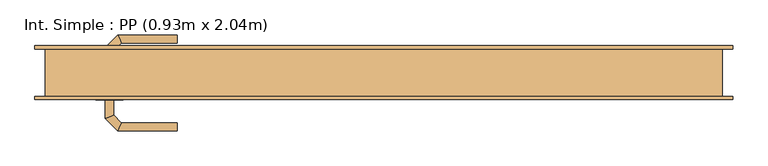
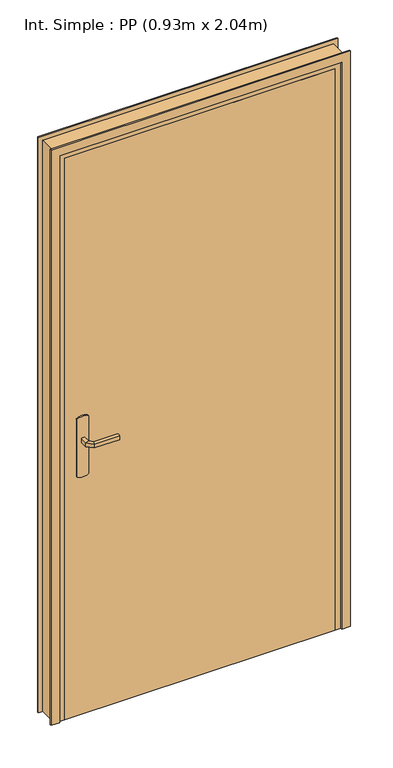
"""IFC4 building model written with IfcOpenShell, lengths in millimetres: door geometry, Int. Simple : PP (0.93m x 2.04m)."""

import ifcopenshell
import ifcopenshell.guid

model = None  # the IFC model being written
_history = None  # IfcOwnerHistory: only IFC2X3 demands one
_inside = {}  # id of a spatial element -> (the spatial element, [elements in it])
_under = {}  # id of a project, library or spatial element -> (it, [spatial elements below it])
_declared = {}  # id of a project -> (the project, [libraries it declares])
_typed = {}  # id of a type object -> (the type object, [elements of that type])
_made_of = {}  # id of a material, layer set ... -> (it, [elements and type objects made of it])


def new_model(schema):
    """Start an empty IFC model of exactly this schema.

    Asked for "IFC4X3", IfcOpenShell would pick the latest addendum, in which some entities
    have other attributes; the version numbers below select the first issue.
    IFC2X3 requires an IfcOwnerHistory on every rooted entity: one is made here for all.
    """
    global model, _history
    if schema == "IFC4X3":
        model = ifcopenshell.file(schema_version=(4, 3, 0, 0))
    else:
        model = ifcopenshell.file(schema=schema)
    _inside.clear()
    _under.clear()
    _declared.clear()
    _typed.clear()
    _made_of.clear()
    _history = None
    if model.schema == "IFC2X3":
        org = make("IfcOrganization", Name="unknown")
        user = make(
            "IfcPersonAndOrganization",
            ThePerson=make("IfcPerson", FamilyName="unknown"),
            TheOrganization=org,
        )
        app = make(
            "IfcApplication",
            ApplicationDeveloper=org,
            Version="unknown",
            ApplicationFullName="unknown",
            ApplicationIdentifier="unknown",
        )
        _history = make(
            "IfcOwnerHistory",
            OwningUser=user,
            OwningApplication=app,
            ChangeAction="ADDED",
            CreationDate=0,
        )
    return model


def make(cls, **values):
    """One entity of the class cls with the attributes given. An attribute that is None is left unset."""
    return model.create_entity(
        cls, **{name: value for name, value in values.items() if value is not None}
    )


def rooted(cls, **values):
    """An entity with a GlobalId (a new one), such as an element, a storey or a relation."""
    return make(cls, GlobalId=ifcopenshell.guid.new(), OwnerHistory=_history, **values)


def si_unit(unit_type, name, prefix=None):
    """IfcSIUnit, for example si_unit("LENGTHUNIT", "METRE", prefix="MILLI")."""
    return make("IfcSIUnit", UnitType=unit_type, Prefix=prefix, Name=name)


def assignment(units):
    """IfcUnitAssignment: the units of a project."""
    return None if units is None else make("IfcUnitAssignment", Units=units)


def point(xyz):
    """IfcCartesianPoint."""
    return None if xyz is None else make("IfcCartesianPoint", Coordinates=xyz)


def direction(xyz):
    """IfcDirection."""
    return None if xyz is None else make("IfcDirection", DirectionRatios=xyz)


def frame(location, z_axis=None, x_axis=None):
    """IfcAxis2Placement3D, a coordinate frame: its origin and axes. An axis left out is left unset."""
    return make(
        "IfcAxis2Placement3D",
        Location=point(location),
        Axis=direction(z_axis),
        RefDirection=direction(x_axis),
    )


def frame_2d(location, x_axis=None):
    """IfcAxis2Placement2D, a coordinate frame in the plane: its origin and x axis."""
    return make(
        "IfcAxis2Placement2D", Location=point(location), RefDirection=direction(x_axis)
    )


def origin():
    """The frame at (0, 0, 0) with its axes left unset."""
    return frame((0.0, 0.0, 0.0))


def origin_with_axes():
    """The frame at (0, 0, 0) with the z axis (0, 0, 1) and the x axis (1, 0, 0) written out."""
    return frame((0.0, 0.0, 0.0), z_axis=(0.0, 0.0, 1.0), x_axis=(1.0, 0.0, 0.0))


def place(relative_to, where):
    """IfcLocalPlacement: puts the frame where relative to a parent placement (None: the world)."""
    return make(
        "IfcLocalPlacement", PlacementRelTo=relative_to, RelativePlacement=where
    )


def context(
    kind, dimensions, precision=None, world=None, true_north=None, identifier=None
):
    """IfcGeometricRepresentationContext, for example the 3D "Model" context."""
    return make(
        "IfcGeometricRepresentationContext",
        ContextIdentifier=identifier,
        ContextType=kind,
        CoordinateSpaceDimension=dimensions,
        Precision=precision,
        WorldCoordinateSystem=world,
        TrueNorth=true_north,
    )


def project(units=None, contexts=None):
    """IfcProject with its units and contexts."""
    return rooted(
        "IfcProject",
        Name="project",
        RepresentationContexts=contexts,
        UnitsInContext=assignment(units),
    )


def spatial(cls, under=None, at=None, **own):
    """A site, building, storey or space (cls), placed at a placement, below another one or the project."""
    s = rooted(cls, ObjectPlacement=at, **own)
    if under is not None:
        _under.setdefault(under.id(), (under, []))[1].append(s)
    return s


def polyline(points):
    """IfcPolyline through the points."""
    return make("IfcPolyline", Points=[point(p) for p in points])


def circle_curve(where, radius):
    """IfcCircle in the frame where."""
    return make("IfcCircle", Position=where, Radius=radius)


def ellipse_curve(where, semi_axis1, semi_axis2):
    """IfcEllipse in the frame where."""
    return make(
        "IfcEllipse", Position=where, SemiAxis1=semi_axis1, SemiAxis2=semi_axis2
    )


def trimmed(basis, trim1, trim2, sense, master):
    """IfcTrimmedCurve: the piece of a basis curve between two trims."""
    return make(
        "IfcTrimmedCurve",
        BasisCurve=basis,
        Trim1=trim1,
        Trim2=trim2,
        SenseAgreement=sense,
        MasterRepresentation=master,
    )


def segment(curve, same_sense, transition):
    """IfcCompositeCurveSegment."""
    return make(
        "IfcCompositeCurveSegment",
        Transition=transition,
        SameSense=same_sense,
        ParentCurve=curve,
    )


def composite_curve(segments, self_intersect=None):
    """IfcCompositeCurve: segments joined end to end."""
    return make("IfcCompositeCurve", Segments=segments, SelfIntersect=self_intersect)


def outline(outer, holes=None, kind="AREA"):
    """IfcArbitraryClosedProfileDef: a profile drawn as a closed curve; with holes, ...WithVoids."""
    if holes is None:
        return make("IfcArbitraryClosedProfileDef", ProfileType=kind, OuterCurve=outer)
    return make(
        "IfcArbitraryProfileDefWithVoids",
        ProfileType=kind,
        OuterCurve=outer,
        InnerCurves=holes,
    )


def extrude(swept, where, along, depth):
    """IfcExtrudedAreaSolid: the profile swept, set in the frame where, extruded along a direction by depth."""
    return make(
        "IfcExtrudedAreaSolid",
        SweptArea=swept,
        Position=where,
        ExtrudedDirection=direction(along),
        Depth=depth,
    )


def faces_of(points, faces, orient=None, outer=None):
    """IfcFace entities. A face is a list of loops; a loop is a list of indices into points, from 0.

    orient and outer hold one flag for each loop. By default every Orientation is true, the
    first loop of a face is its IfcFaceOuterBound and the others are IfcFaceBound.
    """
    made = []
    for i, loops in enumerate(faces):
        bounds = []
        for j, loop in enumerate(loops):
            is_outer = j == 0 if outer is None else outer[i][j]
            bounds.append(
                make(
                    "IfcFaceOuterBound" if is_outer else "IfcFaceBound",
                    Bound=make("IfcPolyLoop", Polygon=[points[k] for k in loop]),
                    Orientation=True if orient is None else orient[i][j],
                )
            )
        made.append(make("IfcFace", Bounds=bounds))
    return made


def faceted_brep(points, faces, orient=None, outer=None, voids=None):
    """IfcFacetedBrep: a solid bounded by flat faces; with voids (closed shells), ...WithVoids."""
    shared = [point(p) for p in points]
    hull = make("IfcClosedShell", CfsFaces=faces_of(shared, faces, orient, outer))
    if voids is None:
        return make("IfcFacetedBrep", Outer=hull)
    return make(
        "IfcFacetedBrepWithVoids",
        Outer=hull,
        Voids=[
            make(cls, CfsFaces=faces_of(shared, fs, o, b)) for cls, fs, o, b in voids
        ],
    )


def shape(context_of_items, identifier, shape_type, items):
    """IfcShapeRepresentation: the items that make up one representation, for example the "Body"."""
    return make(
        "IfcShapeRepresentation",
        ContextOfItems=context_of_items,
        RepresentationIdentifier=identifier,
        RepresentationType=shape_type,
        Items=items,
    )


def source(mapping_origin, context_of_items, identifier, shape_type, items):
    """IfcRepresentationMap: a shape defined once, which mapped items show again and again."""
    return make(
        "IfcRepresentationMap",
        MappingOrigin=mapping_origin,
        MappedRepresentation=shape(context_of_items, identifier, shape_type, items),
    )


def transform(
    local_origin,
    x_axis=None,
    y_axis=None,
    z_axis=None,
    scale=None,
    scale2=None,
    scale3=None,
    uniform=True,
):
    """IfcCartesianTransformationOperator3D, or its non-uniform kind. x_axis, y_axis, z_axis: its Axis1, 2, 3."""
    if uniform:
        return make(
            "IfcCartesianTransformationOperator3D",
            Axis1=direction(x_axis),
            Axis2=direction(y_axis),
            LocalOrigin=point(local_origin),
            Scale=scale,
            Axis3=direction(z_axis),
        )
    return make(
        "IfcCartesianTransformationOperator3DnonUniform",
        Axis1=direction(x_axis),
        Axis2=direction(y_axis),
        LocalOrigin=point(local_origin),
        Scale=scale,
        Axis3=direction(z_axis),
        Scale2=scale2,
        Scale3=scale3,
    )


def mapped(mapping_source, mapping_target):
    """IfcMappedItem: shows the shape of a source again, moved by a transform."""
    return make(
        "IfcMappedItem", MappingSource=mapping_source, MappingTarget=mapping_target
    )


def made_of(thing, what):
    """Note that an element or type object is made of a material, layer set ...; save() writes the relation."""
    if what is not None:
        _made_of.setdefault(what.id(), (what, []))[1].append(thing)
    return thing


def element(
    cls,
    number,
    at=None,
    inside=None,
    cuts=None,
    type_object=None,
    material=None,
    context=None,
    identifier="Body",
    shape_type=None,
    held_by="IfcProductDefinitionShape",
    body=None,
    shapes=None,
    **own,
):
    """One element of the class cls, such as IfcWall. Its Tag is "e" and its number.

    at: its placement. inside: the storey or other place that contains it. cuts: it is an
    opening in that element (IfcRelVoidsElement). A single representation is given by context,
    identifier, shape_type and body (its items); several are given by shapes. held_by: the class
    of the entity that holds the representations. save() writes the other relations.
    """
    e = rooted(cls, Tag="e%d" % number, ObjectPlacement=at, **own)
    if body is not None:
        shapes = [shape(context, identifier, shape_type, body)]
    if shapes is not None:
        e.Representation = make(held_by, Representations=shapes)
    if inside is not None:
        _inside.setdefault(inside.id(), (inside, []))[1].append(e)
    if cuts is not None:
        rooted(
            "IfcRelVoidsElement", RelatingBuildingElement=cuts, RelatedOpeningElement=e
        )
    if type_object is not None:
        _typed.setdefault(type_object.id(), (type_object, []))[1].append(e)
    return made_of(e, material)


def aggregate(whole, parts):
    """IfcRelAggregates: a whole, such as a stair, and the parts it consists of."""
    return rooted("IfcRelAggregates", RelatingObject=whole, RelatedObjects=parts)


def save(model, path):
    """Write the relations noted so far, then the file.

    IfcRelAggregates (storeys below a building ...), IfcRelContainedInSpatialStructure (elements
    in a storey), IfcRelDefinesByType, IfcRelAssociatesMaterial and IfcRelDeclares: one each for
    every whole, place, type object, material and project.
    """
    for whole, parts in _under.values():
        aggregate(whole, parts)
    for where, things in _inside.values():
        rooted(
            "IfcRelContainedInSpatialStructure",
            RelatedElements=things,
            RelatingStructure=where,
        )
    for kind, things in _typed.values():
        rooted("IfcRelDefinesByType", RelatedObjects=things, RelatingType=kind)
    for what, things in _made_of.values():
        rooted("IfcRelAssociatesMaterial", RelatedObjects=things, RelatingMaterial=what)
    for by, libraries in _declared.values():
        rooted("IfcRelDeclares", RelatingContext=by, RelatedDefinitions=libraries)
    model.write(path)


def plane_surface(at):
    """IfcPlane: the flat surface through the origin of the frame at, square to its z axis."""
    return make("IfcPlane", Position=at)


def cylinder_surface(at, radius):
    """IfcCylindricalSurface: all points at the distance radius from the z axis of the frame at."""
    return make("IfcCylindricalSurface", Position=at, Radius=radius)


def advanced_brep(points, edges, surfaces, faces):
    """IfcAdvancedBrep: a solid bounded by faces that lie on surfaces and meet in shared edges.

    An edge is (start, end): straight between two places in points (the first is 0);
    or (start, end, curve); or (start, end, curve, False) where it runs against its curve.
    A face is (place in surfaces, loops), or (place, loops, False) where it looks against
    its surface's normal. A loop lists edges by number (the first is 1), with a minus sign
    where the edge is run from its end to its start. The first loop is the outer one.
    """
    corners = [point(p) for p in points]
    vertices = [make("IfcVertexPoint", VertexGeometry=c) for c in corners]
    made = []
    for start, end, *more in edges:
        made.append(
            make(
                "IfcEdgeCurve",
                EdgeStart=vertices[start],
                EdgeEnd=vertices[end],
                EdgeGeometry=more[0] if more else make("IfcPolyline", Points=[corners[start], corners[end]]),
                SameSense=more[1] if len(more) > 1 else True,
            )
        )
    hull = []
    for where, loops, *sense in faces:
        bounds = []
        for j, loop in enumerate(loops):
            ring = [make("IfcOrientedEdge", EdgeElement=made[abs(k) - 1], Orientation=k > 0) for k in loop]
            bounds.append(
                make(
                    "IfcFaceOuterBound" if j == 0 else "IfcFaceBound",
                    Bound=make("IfcEdgeLoop", EdgeList=ring),
                    Orientation=True,
                )
            )
        hull.append(make("IfcAdvancedFace", Bounds=bounds, FaceSurface=surfaces[where], SameSense=sense[0] if sense else True))
    return make("IfcAdvancedBrep", Outer=make("IfcClosedShell", CfsFaces=hull))


def int_simple_pp_0_93m_x_2_04m_b2d4c190(model_context):
    return source(origin(), model_context, "Body", "SolidModel", [
        extrude(outline(composite_curve([segment(trimmed(circle_curve(frame_2d((904.6410162, -440.0)), 40.0), [point((870.0, -460.0))], [point((870.0, -420.0))], False, "CARTESIAN"), True, "CONTINUOUS"), segment(polyline([(870.0, -420.0), (1080.0, -420.0)]), True, "CONTINUOUS"), segment(trimmed(circle_curve(frame_2d((1045.3589838, -440.0)), 40.0), [point((1080.0, -420.0))], [point((1080.0, -460.0))], False, "CARTESIAN"), True, "CONTINUOUS"), segment(polyline([(1080.0, -460.0), (870.0, -460.0)]), True, "CONTINUOUS")], self_intersect=False)), frame((0.0, -40.0, 0.0), z_axis=(0.0, 1.0, 0.0), x_axis=(0.0, 0.0, 1.0)), (0.0, 0.0, 1.0), 5.0),
        extrude(outline(composite_curve([segment(trimmed(circle_curve(frame_2d((1045.3589838, -440.0)), 40.0), [point((1080.0, -420.0))], [point((1080.0, -460.0))], False, "CARTESIAN"), True, "CONTINUOUS"), segment(polyline([(1080.0, -460.0), (870.0, -460.0)]), True, "CONTINUOUS"), segment(trimmed(circle_curve(frame_2d((904.6410162, -440.0)), 40.0), [point((870.0, -460.0))], [point((870.0, -420.0))], False, "CARTESIAN"), True, "CONTINUOUS"), segment(polyline([(870.0, -420.0), (1080.0, -420.0)]), True, "CONTINUOUS")], self_intersect=False)), frame((0.0, 5.0, 0.0), z_axis=(0.0, 1.0, 0.0), x_axis=(0.0, 0.0, 1.0)), (0.0, 0.0, 1.0), 5.0),
        advanced_brep(
        [(-446.0, -40.0, 1007.0), (-434.0, -40.0, 1007.0), (-434.0, -40.0, 993.0), (-446.0, -40.0, 993.0), (-446.0, -67.6509507, 1007.0), (-434.0, -62.680388, 1007.0), (-434.0, -62.680388, 993.0), (-446.0, -67.6509507, 993.0), (-427.62279, -86.0281607, 1007.0), (-422.6522273, -74.0281607, 1007.0), (-422.6522273, -74.0281607, 993.0), (-427.62279, -86.0281607, 993.0), (-339.9813594, -86.0281607, 1007.0), (-339.9813594, -86.0281607, 993.0), (-339.9813594, -74.0281607, 993.0), (-339.9813594, -74.0281607, 1007.0)],
        [
            (0, 1, circle_curve(frame((-440.0, -40.0, 986.9542278), z_axis=(0.0, 1.0, 0.0), x_axis=(1.0, 0.0, 0.0)), 20.9244589)),
            (1, 2),
            (2, 3, circle_curve(frame((-440.0, -40.0, 1013.0457722), z_axis=(0.0, 1.0, 0.0), x_axis=(1.0, 0.0, 0.0)), 20.9244589)),
            (3, 0),
            (0, 4),
            (4, 5, ellipse_curve(frame((-440.0, -65.1656693, 986.9542278), z_axis=(-0.3826834323651126, 0.9238795325112773, 0.0), x_axis=(0.9238795325112775, 0.38268343236511254, 0.0)), 22.6484711, 20.9244589)),
            (5, 1),
            (5, 6),
            (6, 2),
            (6, 7, ellipse_curve(frame((-440.0, -65.1656693, 1013.0457722), z_axis=(-0.3826834323651126, 0.9238795325112773, 0.0), x_axis=(0.9238795325112775, 0.38268343236511254, 0.0)), 22.6484711, 20.9244589)),
            (7, 3),
            (7, 4),
            (4, 8),
            (8, 9, ellipse_curve(frame((-425.1375086, -80.0281607, 986.9542278), z_axis=(-0.9238795325112962, 0.38268343236506686, 0.0), x_axis=(0.3826834323650665, 0.9238795325112965, 0.0)), 22.6484711, 20.9244589)),
            (9, 5),
            (9, 10),
            (10, 6),
            (10, 11, ellipse_curve(frame((-425.1375086, -80.0281607, 1013.0457722), z_axis=(-0.9238795325112962, 0.38268343236506686, 0.0), x_axis=(0.3826834323650665, 0.9238795325112965, 0.0)), 22.6484711, 20.9244589)),
            (11, 7),
            (11, 8),
            (12, 13),
            (13, 14, circle_curve(frame((-339.9813594, -80.0281607, 1013.0457722), z_axis=(1.0, 0.0, 0.0), x_axis=(0.0, 1.0, 0.0)), 20.9244589)),
            (14, 15),
            (15, 12, circle_curve(frame((-339.9813594, -80.0281607, 986.9542278), z_axis=(1.0, 0.0, 0.0), x_axis=(0.0, 1.0, 0.0)), 20.9244589)),
            (8, 12),
            (15, 9),
            (14, 10),
            (13, 11),
        ],
        [
            plane_surface(frame((-449.2195445, -40.0, 1000.0), z_axis=(0.0, 1.0, 0.0), x_axis=(0.0, 0.0, -1.0))),
            cylinder_surface(frame((-440.0, -40.0, 986.9542278), z_axis=(0.0, 1.0, 0.0), x_axis=(1.0, 0.0, 0.0)), 20.9244589),
            plane_surface(frame((-434.0, -40.0, 1007.0), z_axis=(1.0, 0.0, 0.0), x_axis=(0.0, -1.0, 0.0))),
            cylinder_surface(frame((-440.0, -40.0, 1013.0457722), z_axis=(0.0, 1.0, 0.0), x_axis=(1.0, 0.0, 0.0)), 20.9244589),
            plane_surface(frame((-446.0, -40.0, 993.0), z_axis=(-1.0, 0.0, 0.0), x_axis=(0.0, -1.0, 0.0))),
            cylinder_surface(frame((-440.0, -65.1656693, 986.9542278), z_axis=(-0.7071067811865798, 0.7071067811865152, 0.0), x_axis=(0.7071067811865152, 0.7071067811865798, 0.0)), 20.9244589),
            plane_surface(frame((-434.0, -62.680388, 1007.0), z_axis=(0.7071067811865152, 0.7071067811865799, 0.0), x_axis=(0.7071067811865799, -0.7071067811865152, 0.0))),
            cylinder_surface(frame((-440.0, -65.1656693, 1013.0457722), z_axis=(-0.7071067811865798, 0.7071067811865152, 0.0), x_axis=(0.7071067811865152, 0.7071067811865798, 0.0)), 20.9244589),
            plane_surface(frame((-446.0, -67.6509507, 993.0), z_axis=(-0.7071067811865152, -0.7071067811865799, 0.0), x_axis=(0.7071067811865799, -0.7071067811865152, 0.0))),
            plane_surface(frame((-339.9813594, -80.0281607, 990.7804555), z_axis=(1.0, 0.0, 0.0), x_axis=(0.0, 1.0, 0.0))),
            cylinder_surface(frame((-425.1375086, -80.0281607, 986.9542278), z_axis=(-1.0, 0.0, 0.0), x_axis=(0.0, 1.0, 0.0)), 20.9244589),
            plane_surface(frame((-422.6522273, -74.0281607, 1007.0), z_axis=(0.0, 1.0, 0.0), x_axis=(1.0, 0.0, 0.0))),
            cylinder_surface(frame((-425.1375086, -80.0281607, 1013.0457722), z_axis=(-1.0, 0.0, 0.0), x_axis=(0.0, 1.0, 0.0)), 20.9244589),
            plane_surface(frame((-427.62279, -86.0281607, 993.0), z_axis=(0.0, -1.0, 0.0), x_axis=(1.0, 0.0, 0.0))),
        ],
        [
            (0, [[1, 2, 3, 4]]),
            (1, [[-1, 5, 6, 7]]),
            (2, [[-2, -7, 8, 9]]),
            (3, [[-3, -9, 10, 11]]),
            (4, [[-4, -11, 12, -5]]),
            (5, [[-6, 13, 14, 15]]),
            (6, [[-8, -15, 16, 17]]),
            (7, [[-10, -17, 18, 19]]),
            (8, [[-12, -19, 20, -13]]),
            (9, [[21, 22, 23, 24]]),
            (10, [[-14, 25, -24, 26]]),
            (11, [[-16, -26, -23, 27]]),
            (12, [[-18, -27, -22, 28]]),
            (13, [[-20, -28, -21, -25]]),
        ],
    ),
        advanced_brep(
        [(-434.0, 10.0, 993.0), (-434.0, 10.0, 1007.0), (-446.0, 10.0, 1007.0), (-446.0, 10.0, 993.0), (-434.0, 32.4852045, 993.0), (-434.0, 32.4852045, 1007.0), (-446.0, 37.4557673, 1007.0), (-446.0, 37.4557673, 993.0), (-422.5147186, 43.9704859, 993.0), (-422.5147186, 43.9704859, 1007.0), (-427.4852814, 55.9704859, 1007.0), (-427.4852814, 55.9704859, 993.0), (-339.9542163, 43.9704859, 993.0), (-339.9542163, 55.9704859, 993.0), (-339.9542163, 55.9704859, 1007.0), (-339.9542163, 43.9704859, 1007.0)],
        [
            (0, 1),
            (1, 2, circle_curve(frame((-440.0, 10.0, 986.9542278), z_axis=(0.0, -1.0, 0.0), x_axis=(-1.0, 0.0, 0.0)), 20.9244589)),
            (2, 3),
            (3, 0, circle_curve(frame((-440.0, 10.0, 1013.0457722), z_axis=(0.0, -1.0, 0.0), x_axis=(-1.0, 0.0, 0.0)), 20.9244589)),
            (0, 4),
            (4, 5),
            (5, 1),
            (5, 6, ellipse_curve(frame((-440.0, 34.9704859, 986.9542278), z_axis=(-0.3826834323651055, -0.9238795325112801, 0.0), x_axis=(0.9238795325112799, -0.3826834323651064, 0.0)), 22.6484711, 20.9244589)),
            (6, 2),
            (6, 7),
            (7, 3),
            (7, 4, ellipse_curve(frame((-440.0, 34.9704859, 1013.0457722), z_axis=(-0.3826834323651055, -0.9238795325112801, 0.0), x_axis=(0.9238795325112799, -0.3826834323651064, 0.0)), 22.6484711, 20.9244589)),
            (4, 8),
            (8, 9),
            (9, 5),
            (9, 10, ellipse_curve(frame((-425.0, 49.9704859, 986.9542278), z_axis=(-0.9238795325112932, -0.382683432365074, 0.0), x_axis=(0.3826834323650737, -0.9238795325112934, 0.0)), 22.6484711, 20.9244589)),
            (10, 6),
            (10, 11),
            (11, 7),
            (11, 8, ellipse_curve(frame((-425.0, 49.9704859, 1013.0457722), z_axis=(-0.9238795325112932, -0.382683432365074, 0.0), x_axis=(0.3826834323650737, -0.9238795325112934, 0.0)), 22.6484711, 20.9244589)),
            (12, 13, circle_curve(frame((-339.9542163, 49.9704859, 1013.0457722), z_axis=(1.0, 0.0, 0.0), x_axis=(0.0, 1.0, 0.0)), 20.9244589)),
            (13, 14),
            (14, 15, circle_curve(frame((-339.9542163, 49.9704859, 986.9542278), z_axis=(1.0, 0.0, 0.0), x_axis=(0.0, 1.0, 0.0)), 20.9244589)),
            (15, 12),
            (8, 12),
            (15, 9),
            (14, 10),
            (13, 11),
        ],
        [
            plane_surface(frame((-449.2195445, 10.0, 1000.0), z_axis=(0.0, -1.0, 0.0), x_axis=(0.0, 0.0, 1.0))),
            plane_surface(frame((-434.0, 10.0, 993.0), z_axis=(1.0, 0.0, 0.0), x_axis=(0.0, 1.0, 0.0))),
            cylinder_surface(frame((-440.0, 10.0, 986.9542278), z_axis=(0.0, -1.0, 0.0), x_axis=(-1.0, 0.0, 0.0)), 20.9244589),
            plane_surface(frame((-446.0, 10.0, 1007.0), z_axis=(-1.0, 0.0, 0.0), x_axis=(0.0, 1.0, 0.0))),
            cylinder_surface(frame((-440.0, 10.0, 1013.0457722), z_axis=(0.0, -1.0, 0.0), x_axis=(-1.0, 0.0, 0.0)), 20.9244589),
            plane_surface(frame((-434.0, 32.4852045, 993.0), z_axis=(0.7071067811865208, -0.7071067811865742, 0.0), x_axis=(0.7071067811865742, 0.7071067811865208, 0.0))),
            cylinder_surface(frame((-440.0, 34.9704859, 986.9542278), z_axis=(-0.7071067811865742, -0.7071067811865208, 0.0), x_axis=(-0.7071067811865208, 0.7071067811865742, 0.0)), 20.9244589),
            plane_surface(frame((-446.0, 37.4557673, 1007.0), z_axis=(-0.7071067811865209, 0.7071067811865741, 0.0), x_axis=(0.7071067811865741, 0.7071067811865209, 0.0))),
            cylinder_surface(frame((-440.0, 34.9704859, 1013.0457722), z_axis=(-0.7071067811865742, -0.7071067811865208, 0.0), x_axis=(-0.7071067811865208, 0.7071067811865742, 0.0)), 20.9244589),
            plane_surface(frame((-339.9542163, 49.9704859, 990.7804555), z_axis=(1.0, 0.0, 0.0), x_axis=(0.0, 1.0, 0.0))),
            plane_surface(frame((-422.5147186, 43.9704859, 993.0), z_axis=(0.0, -1.0, 0.0), x_axis=(1.0, 0.0, 0.0))),
            cylinder_surface(frame((-425.0, 49.9704859, 986.9542278), z_axis=(-1.0, 0.0, 0.0), x_axis=(0.0, 1.0, 0.0)), 20.9244589),
            plane_surface(frame((-427.4852814, 55.9704859, 1007.0), z_axis=(0.0, 1.0, 0.0), x_axis=(1.0, 0.0, 0.0))),
            cylinder_surface(frame((-425.0, 49.9704859, 1013.0457722), z_axis=(-1.0, 0.0, 0.0), x_axis=(0.0, 1.0, 0.0)), 20.9244589),
        ],
        [
            (0, [[1, 2, 3, 4]]),
            (1, [[-1, 5, 6, 7]]),
            (2, [[-2, -7, 8, 9]]),
            (3, [[-3, -9, 10, 11]]),
            (4, [[-4, -11, 12, -5]]),
            (5, [[-6, 13, 14, 15]]),
            (6, [[-8, -15, 16, 17]]),
            (7, [[-10, -17, 18, 19]]),
            (8, [[-12, -19, 20, -13]]),
            (9, [[21, 22, 23, 24]]),
            (10, [[-14, 25, -24, 26]]),
            (11, [[-16, -26, -23, 27]]),
            (12, [[-18, -27, -22, 28]]),
            (13, [[-20, -28, -21, -25]]),
        ],
    ),
        extrude(outline(polyline([(-500.0, 5.0), (430.0, 5.0), (430.0, -35.0), (-500.0, -35.0), (-500.0, 5.0)])), origin_with_axes(), (0.0, 0.0, 1.0), 2040.0),
        faceted_brep([(-535.0, -35.0, 0.0), (-535.0, 35.0, 0.0), (-485.0, 35.0, 0.0), (-485.0, 5.0, 0.0), (-500.0, 5.0, 0.0), (-500.0, -35.0, 0.0), (-535.0, -35.0, 2075.0), (-535.0, 35.0, 2075.0), (465.0, 35.0, 2075.0), (465.0, 35.0, 0.0), (415.0, 35.0, 0.0), (415.0, 35.0, 2025.0), (-485.0, 35.0, 2025.0), (-485.0, 5.0, 2025.0), (415.0, 5.0, 2025.0), (415.0, 5.0, 0.0), (430.0, 5.0, 0.0), (430.0, 5.0, 2040.0), (-500.0, 5.0, 2040.0), (-500.0, -35.0, 2040.0), (430.0, -35.0, 2040.0), (430.0, -35.0, 0.0), (465.0, -35.0, 0.0), (465.0, -35.0, 2075.0)], [[[0, 1, 2, 3, 4, 5]], [[1, 0, 6, 7]], [[2, 1, 7, 8, 9, 10, 11, 12]], [[3, 2, 12, 13]], [[4, 3, 13, 14, 15, 16, 17, 18]], [[5, 4, 18, 19]], [[0, 5, 19, 20, 21, 22, 23, 6]], [[8, 23, 22, 9]], [[22, 21, 16, 15, 10, 9]], [[14, 11, 10, 15]], [[20, 17, 16, 21]], [[7, 6, 23, 8]], [[13, 12, 11, 14]], [[19, 18, 17, 20]]]),
        extrude(outline(polyline([(0.0, -550.0), (0.0, -520.0), (2060.0, -520.0), (2060.0, 450.0), (0.0, 450.0), (0.0, 480.0), (2090.0, 480.0), (2090.0, -550.0), (0.0, -550.0)])), frame((0.0, -40.0, 0.0), z_axis=(0.0, 1.0, 0.0), x_axis=(0.0, 0.0, 1.0)), (0.0, 0.0, 1.0), 5.0),
        extrude(outline(polyline([(0.0, -550.0), (0.0, -520.0), (2060.0, -520.0), (2060.0, 450.0), (0.0, 450.0), (0.0, 480.0), (2090.0, 480.0), (2090.0, -550.0), (0.0, -550.0)])), frame((0.0, 35.0, 0.0), z_axis=(0.0, 1.0, 0.0), x_axis=(0.0, 0.0, 1.0)), (0.0, 0.0, 1.0), 5.0),
    ])


if __name__ == "__main__":
    model = new_model("IFC4")
    model_context = context("Model", 3, world=origin())
    ifc_project = project(units=[si_unit("LENGTHUNIT", "METRE", prefix="MILLI")], contexts=[model_context])
    site = spatial("IfcSite", under=ifc_project)
    building = spatial("IfcBuilding", under=site)
    placement = place(None, origin())
    int_simple_pp_0_93m_x_2_04m_shape = int_simple_pp_0_93m_x_2_04m_b2d4c190(model_context)
    element("IfcDoor", 1, ObjectType="Int. Simple : PP (0.93m x 2.04m)", at=placement, inside=building, context=model_context, shape_type="MappedRepresentation", body=[
        mapped(int_simple_pp_0_93m_x_2_04m_shape, transform((0.0, 0.0, 0.0), x_axis=(1.0, 0.0, 0.0), y_axis=(0.0, 1.0, 0.0), z_axis=(0.0, 0.0, 1.0))),
    ])
    save(model, "model.ifc")
